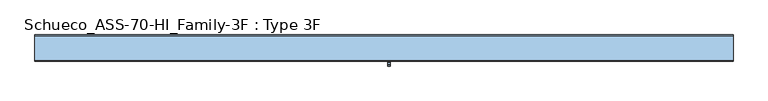
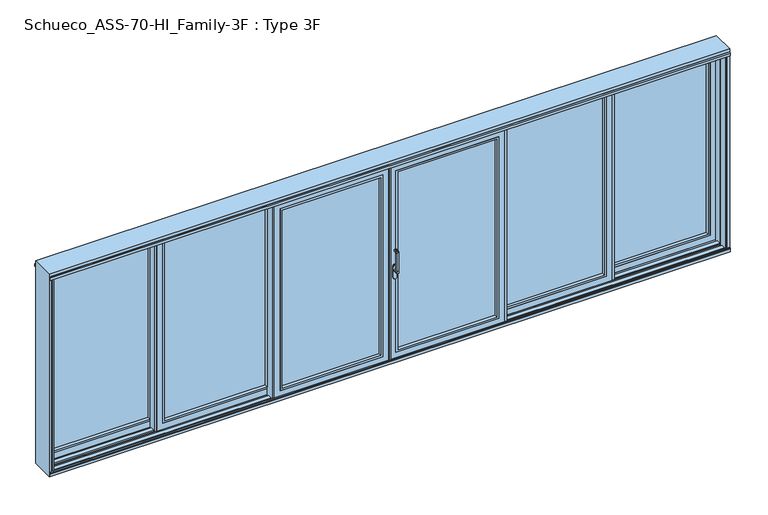
"""IFC4 building model written with IfcOpenShell, lengths in millimetres: window geometry, Schueco_ASS-70-HI_Family-3F : Type 3F."""

from ifc_helpers import new_model, si_unit, point, frame, frame_2d, origin, place, context, project, spatial, polyline, circle_curve, trimmed, segment, composite_curve, outline, extrude, faceted_brep, source, transform, mapped, element, save
from ifc_brep_helpers import plane_surface, cylinder_surface, revolved_surface, advanced_brep


def schueco_ass_70_hi_family_3f_type_3f_0fbd40f2(model_context):
    return source(origin(), model_context, "Body", "SolidModel", [
        extrude(outline(polyline([(1147.6650736, 60.0296761), (1167.6650431, 60.0296761), (1167.6650431, 54.5297093), (1151.4651386, 54.5297093), (1151.4651386, -9.9601155), (1201.6666667, -9.9601155), (1201.6666667, -24.1825054), (1147.6650736, -24.1825054), (1147.6650736, 60.0296761)])), frame((0.0, 0.0, -6.9999052), z_axis=(0.0, 0.0, 1.0), x_axis=(1.0, 0.0, 0.0)), (0.0, 0.0, 1.0), 2187.9998104),
        extrude(outline(polyline([(2114.8998417, 1233.766825), (59.1001583, 1233.766825), (59.1001583, 2371.233175), (2114.8998417, 2371.233175), (2114.8998417, 1233.766825)]), holes=[polyline([(2092.899857, 2349.2331903), (81.100143, 2349.2331903), (81.100143, 1255.7668097), (2092.899857, 1255.7668097), (2092.899857, 2349.2331903)])]), frame((0.0, -9.9601155, 0.0), z_axis=(0.0, 1.0, 0.0), x_axis=(0.0, 0.0, 1.0)), (0.0, 0.0, 1.0), 35.0222836),
        extrude(outline(polyline([(2363.2349016, 25.0621681), (1241.7650984, 25.0621681), (1241.7650984, 51.0520123), (2363.2349016, 51.0520123), (2363.2349016, 25.0621681)])), frame((0.0, 0.0, 67.0984318), z_axis=(0.0, 0.0, 1.0), x_axis=(1.0, 0.0, 0.0)), (0.0, 0.0, 1.0), 2039.8031365),
        extrude(outline(polyline([(2457.3349264, -9.9601155), (2437.3349569, -9.9601155), (2437.3349569, -4.4601487), (2453.5348614, -4.4601487), (2453.5348614, 60.0296761), (2403.3333333, 60.0296761), (2403.3333333, 74.2520661), (2457.3349264, 74.2520661), (2457.3349264, -9.9601155)])), frame((0.0, 0.0, -6.9999052), z_axis=(0.0, 0.0, 1.0), x_axis=(1.0, 0.0, 0.0)), (0.0, 0.0, 1.0), 2187.9998104),
        faceted_brep([(1167.6650431, 54.5297093, 2181.0016236), (1167.6650431, 60.0296761, 2181.0016236), (1167.6650431, 60.0296761, -7.0016236), (1167.6650431, 54.5297093, -7.0016236), (2437.3349569, 60.0296761, 2181.0016236), (2437.3349569, 60.0296761, -7.0016236), (1255.6650431, 60.0296761, 2093.0016236), (1255.6650431, 60.0296761, 80.9983764), (2349.3349569, 60.0296761, 80.9983764), (2349.3349569, 60.0296761, 2093.0016236), (2437.3349569, 54.5297093, -7.0016236), (2437.3349569, 54.5297093, 2181.0016236), (2407.3332385, 54.5297093, 2150.9999052), (2407.3332385, 54.5297093, 23.0000948), (1197.6667615, 54.5297093, 23.0000948), (1197.6667615, 54.5297093, 2150.9999052), (1197.6667615, -4.4601155, 2150.9999052), (1197.6667615, -4.4601155, 23.0000948), (2407.3332385, -4.4601155, 23.0000948), (2437.3332385, -4.4601155, 2180.9999052), (2437.3332385, -4.4601155, -6.9999052), (1167.6667615, -4.4601155, -6.9999052), (1167.6667615, -4.4601155, 2180.9999052), (2407.3332385, -4.4601155, 2150.9999052), (1167.6667615, -9.9601155, 2180.9999052), (1167.6667615, -9.9601155, -6.9999052), (2437.3332385, -9.9601155, -6.9999052), (2437.3332385, -9.9601155, 2180.9999052), (2371.233175, -9.9601155, 2114.8998417), (2371.233175, -9.9601155, 59.1001583), (1233.766825, -9.9601155, 59.1001583), (1233.766825, -9.9601155, 2114.8998417), (1241.7650984, 51.0520123, 2106.9015682), (1241.7650984, 25.0520123, 2106.9015682), (1241.7650984, 25.0520123, 67.0984318), (1241.7650984, 51.0520123, 67.0984318), (1233.766825, 25.0520123, 2114.8998417), (1233.766825, 25.0520123, 59.1001583), (2371.233175, 25.0520123, 59.1001583), (2371.233175, 25.0520123, 2114.8998417), (2363.2349016, 25.0520123, 2106.9015682), (2363.2349016, 25.0520123, 67.0984318), (2363.2349016, 51.0520123, 67.0984318), (2363.2349016, 51.0520123, 2106.9015682), (2349.3349569, 51.0520123, 2093.0016236), (2349.3349569, 51.0520123, 80.9983764), (1255.6650431, 51.0520123, 80.9983764), (1255.6650431, 51.0520123, 2093.0016236)], [[[0, 1, 2, 3]], [[4, 5, 2, 1], [6, 7, 8, 9]], [[3, 2, 5, 10]], [[0, 3, 10, 11], [12, 13, 14, 15]], [[16, 15, 14, 17]], [[17, 14, 13, 18]], [[19, 20, 21, 22], [16, 17, 18, 23]], [[24, 22, 21, 25]], [[25, 21, 20, 26]], [[24, 25, 26, 27], [28, 29, 30, 31]], [[32, 33, 34, 35]], [[36, 37, 38, 39], [40, 41, 34, 33]], [[35, 34, 41, 42]], [[32, 35, 42, 43], [44, 45, 46, 47]], [[6, 47, 46, 7]], [[7, 46, 45, 8]], [[10, 5, 4, 11]], [[18, 13, 12, 23]], [[26, 20, 19, 27]], [[42, 41, 40, 43]], [[8, 45, 44, 9]], [[38, 29, 28, 39]], [[37, 30, 29, 38]], [[36, 31, 30, 37]], [[11, 4, 1, 0]], [[23, 12, 15, 16]], [[27, 19, 22, 24]], [[43, 40, 33, 32]], [[9, 44, 47, 6]], [[39, 28, 31, 36]]]),
        extrude(outline(polyline([(-1147.6650736, 60.0296761), (-1147.6650736, -24.1825054), (-1201.6666667, -24.1825054), (-1201.6666667, -9.9601155), (-1151.4651386, -9.9601155), (-1151.4651386, 54.5297093), (-1167.6650431, 54.5297093), (-1167.6650431, 60.0296761), (-1147.6650736, 60.0296761)])), frame((0.0, 0.0, -6.9999052), z_axis=(0.0, 0.0, 1.0), x_axis=(1.0, 0.0, 0.0)), (0.0, 0.0, 1.0), 2187.9998104),
        extrude(outline(polyline([(2114.8998417, -1233.766825), (2114.8998417, -2371.233175), (59.1001583, -2371.233175), (59.1001583, -1233.766825), (2114.8998417, -1233.766825)]), holes=[polyline([(2092.899857, -2349.2331903), (2092.899857, -1255.7668097), (81.100143, -1255.7668097), (81.100143, -2349.2331903), (2092.899857, -2349.2331903)])]), frame((0.0, -9.9601155, 0.0), z_axis=(0.0, 1.0, 0.0), x_axis=(0.0, 0.0, 1.0)), (0.0, 0.0, 1.0), 35.0222836),
        extrude(outline(polyline([(-2363.2349016, 25.0621681), (-2363.2349016, 51.0520123), (-1241.7650984, 51.0520123), (-1241.7650984, 25.0621681), (-2363.2349016, 25.0621681)])), frame((0.0, 0.0, 67.0984318), z_axis=(0.0, 0.0, 1.0), x_axis=(1.0, 0.0, 0.0)), (0.0, 0.0, 1.0), 2039.8031365),
        extrude(outline(polyline([(-2457.3349264, -9.9601155), (-2457.3349264, 74.2520661), (-2403.3333333, 74.2520661), (-2403.3333333, 60.0296761), (-2453.5348614, 60.0296761), (-2453.5348614, -4.4601487), (-2437.3349569, -4.4601487), (-2437.3349569, -9.9601155), (-2457.3349264, -9.9601155)])), frame((0.0, 0.0, -6.9999052), z_axis=(0.0, 0.0, 1.0), x_axis=(1.0, 0.0, 0.0)), (0.0, 0.0, 1.0), 2187.9998104),
        faceted_brep([(-1167.6650431, 54.5297093, 2181.0016236), (-1167.6650431, 54.5297093, -7.0016236), (-1167.6650431, 60.0296761, -7.0016236), (-1167.6650431, 60.0296761, 2181.0016236), (-2437.3349569, 60.0296761, 2181.0016236), (-2437.3349569, 60.0296761, -7.0016236), (-1255.6650431, 60.0296761, 2093.0016236), (-2349.3349569, 60.0296761, 2093.0016236), (-2349.3349569, 60.0296761, 80.9983764), (-1255.6650431, 60.0296761, 80.9983764), (-2437.3349569, 54.5297093, -7.0016236), (-2437.3349569, 54.5297093, 2181.0016236), (-2407.3332385, 54.5297093, 2150.9999052), (-1197.6667615, 54.5297093, 2150.9999052), (-1197.6667615, 54.5297093, 23.0000948), (-2407.3332385, 54.5297093, 23.0000948), (-1197.6667615, -4.4601155, 2150.9999052), (-1197.6667615, -4.4601155, 23.0000948), (-2407.3332385, -4.4601155, 23.0000948), (-2437.3332385, -4.4601155, 2180.9999052), (-1167.6667615, -4.4601155, 2180.9999052), (-1167.6667615, -4.4601155, -6.9999052), (-2437.3332385, -4.4601155, -6.9999052), (-2407.3332385, -4.4601155, 2150.9999052), (-1167.6667615, -9.9601155, 2180.9999052), (-1167.6667615, -9.9601155, -6.9999052), (-2437.3332385, -9.9601155, -6.9999052), (-2437.3332385, -9.9601155, 2180.9999052), (-2371.233175, -9.9601155, 2114.8998417), (-1233.766825, -9.9601155, 2114.8998417), (-1233.766825, -9.9601155, 59.1001583), (-2371.233175, -9.9601155, 59.1001583), (-1241.7650984, 51.0520123, 2106.9015682), (-1241.7650984, 51.0520123, 67.0984318), (-1241.7650984, 25.0520123, 67.0984318), (-1241.7650984, 25.0520123, 2106.9015682), (-1233.766825, 25.0520123, 2114.8998417), (-2371.233175, 25.0520123, 2114.8998417), (-2371.233175, 25.0520123, 59.1001583), (-1233.766825, 25.0520123, 59.1001583), (-2363.2349016, 25.0520123, 2106.9015682), (-2363.2349016, 25.0520123, 67.0984318), (-2363.2349016, 51.0520123, 67.0984318), (-2363.2349016, 51.0520123, 2106.9015682), (-2349.3349569, 51.0520123, 2093.0016236), (-1255.6650431, 51.0520123, 2093.0016236), (-1255.6650431, 51.0520123, 80.9983764), (-2349.3349569, 51.0520123, 80.9983764)], [[[0, 1, 2, 3]], [[4, 3, 2, 5], [6, 7, 8, 9]], [[1, 10, 5, 2]], [[0, 11, 10, 1], [12, 13, 14, 15]], [[16, 17, 14, 13]], [[17, 18, 15, 14]], [[19, 20, 21, 22], [16, 23, 18, 17]], [[24, 25, 21, 20]], [[25, 26, 22, 21]], [[24, 27, 26, 25], [28, 29, 30, 31]], [[32, 33, 34, 35]], [[36, 37, 38, 39], [40, 35, 34, 41]], [[33, 42, 41, 34]], [[32, 43, 42, 33], [44, 45, 46, 47]], [[6, 9, 46, 45]], [[9, 8, 47, 46]], [[10, 11, 4, 5]], [[18, 23, 12, 15]], [[26, 27, 19, 22]], [[42, 43, 40, 41]], [[8, 7, 44, 47]], [[38, 37, 28, 31]], [[39, 38, 31, 30]], [[36, 39, 30, 29]], [[11, 0, 3, 4]], [[23, 16, 13, 12]], [[27, 24, 20, 19]], [[43, 32, 35, 40]], [[7, 6, 45, 44]], [[37, 36, 29, 28]]]),
        extrude(outline(polyline([(-2369.3317097, 144.5402842), (-2369.3317097, 150.040251), (-2349.3317402, 150.040251), (-2349.3317402, 65.8280694), (-2403.3333333, 65.8280694), (-2403.3333333, 80.0504594), (-2353.1318053, 80.0504594), (-2353.1318053, 144.5402842), (-2369.3317097, 144.5402842)])), frame((0.0, 0.0, -6.9999052), z_axis=(0.0, 0.0, 1.0), x_axis=(1.0, 0.0, 0.0)), (0.0, 0.0, 1.0), 2187.9998104),
        extrude(outline(polyline([(2114.8998417, -3534.8998417), (59.1001583, -3534.8998417), (59.1001583, -2435.4334916), (2114.8998417, -2435.4334916), (2114.8998417, -3534.8998417)]), holes=[polyline([(2092.899857, -2457.4334764), (81.100143, -2457.4334764), (81.100143, -3512.899857), (2092.899857, -3512.899857), (2092.899857, -2457.4334764)])]), frame((0.0, 80.0504262, 0.0), z_axis=(0.0, 1.0, 0.0), x_axis=(0.0, 0.0, 1.0)), (0.0, 0.0, 1.0), 35.0222836),
        extrude(outline(polyline([(-2443.4317651, 115.0727098), (-3526.9015682, 115.0727098), (-3526.9015682, 141.062554), (-2443.4317651, 141.062554), (-2443.4317651, 115.0727098)])), frame((0.0, 0.0, 67.0984318), z_axis=(0.0, 0.0, 1.0), x_axis=(1.0, 0.0, 0.0)), (0.0, 0.0, 1.0), 2039.8031365),
        faceted_brep([(-3601.0016236, 144.540251, 2181.0016236), (-3601.0016236, 150.0402178, 2181.0016236), (-3601.0016236, 150.0402178, -7.0016236), (-3601.0016236, 144.540251, -7.0016236), (-2369.3317097, 150.0402178, 2181.0016236), (-2369.3317097, 150.0402178, -7.0016236), (-3513.0016236, 150.0402178, 2093.0016236), (-3513.0016236, 150.0402178, 80.9983764), (-2457.3317097, 150.0402178, 80.9983764), (-2457.3317097, 150.0402178, 2093.0016236), (-2369.3317097, 144.540251, -7.0016236), (-2369.3317097, 144.540251, 2181.0016236), (-2399.3334281, 144.540251, 2150.9999052), (-2399.3334281, 144.540251, 23.0000948), (-3570.9999052, 144.540251, 23.0000948), (-3570.9999052, 144.540251, 2150.9999052), (-3570.9999052, 85.5504262, 2150.9999052), (-3570.9999052, 85.5504262, 23.0000948), (-2399.3334281, 85.5504262, 23.0000948), (-2369.3334281, 85.5504262, 2180.9999052), (-2369.3334281, 85.5504262, -6.9999052), (-3600.9999052, 85.5504262, -6.9999052), (-3600.9999052, 85.5504262, 2180.9999052), (-2399.3334281, 85.5504262, 2150.9999052), (-3600.9999052, 80.0504262, 2180.9999052), (-3600.9999052, 80.0504262, -6.9999052), (-2369.3334281, 80.0504262, -6.9999052), (-2369.3334281, 80.0504262, 2180.9999052), (-2435.4334916, 80.0504262, 2114.8998417), (-2435.4334916, 80.0504262, 59.1001583), (-3534.8998417, 80.0504262, 59.1001583), (-3534.8998417, 80.0504262, 2114.8998417), (-3526.9015682, 141.062554, 2106.9015682), (-3526.9015682, 115.062554, 2106.9015682), (-3526.9015682, 115.062554, 67.0984318), (-3526.9015682, 141.062554, 67.0984318), (-3534.8998417, 115.062554, 2114.8998417), (-3534.8998417, 115.062554, 59.1001583), (-2435.4334916, 115.062554, 59.1001583), (-2435.4334916, 115.062554, 2114.8998417), (-2443.4317651, 115.062554, 2106.9015682), (-2443.4317651, 115.062554, 67.0984318), (-2443.4317651, 141.062554, 67.0984318), (-2443.4317651, 141.062554, 2106.9015682), (-2457.3317097, 141.062554, 2093.0016236), (-2457.3317097, 141.062554, 80.9983764), (-3513.0016236, 141.062554, 80.9983764), (-3513.0016236, 141.062554, 2093.0016236)], [[[0, 1, 2, 3]], [[4, 5, 2, 1], [6, 7, 8, 9]], [[3, 2, 5, 10]], [[0, 3, 10, 11], [12, 13, 14, 15]], [[16, 15, 14, 17]], [[17, 14, 13, 18]], [[19, 20, 21, 22], [16, 17, 18, 23]], [[24, 22, 21, 25]], [[25, 21, 20, 26]], [[24, 25, 26, 27], [28, 29, 30, 31]], [[32, 33, 34, 35]], [[36, 37, 38, 39], [40, 41, 34, 33]], [[35, 34, 41, 42]], [[32, 35, 42, 43], [44, 45, 46, 47]], [[6, 47, 46, 7]], [[7, 46, 45, 8]], [[10, 5, 4, 11]], [[18, 13, 12, 23]], [[26, 20, 19, 27]], [[42, 41, 40, 43]], [[8, 45, 44, 9]], [[38, 29, 28, 39]], [[37, 30, 29, 38]], [[36, 31, 30, 37]], [[11, 4, 1, 0]], [[23, 12, 15, 16]], [[27, 19, 22, 24]], [[43, 40, 33, 32]], [[9, 44, 47, 6]], [[39, 28, 31, 36]]]),
        extrude(outline(polyline([(2369.3317097, 144.5402842), (2353.1318053, 144.5402842), (2353.1318053, 80.0504594), (2403.3333333, 80.0504594), (2403.3333333, 65.8280694), (2349.3317402, 65.8280694), (2349.3317402, 150.040251), (2369.3317097, 150.040251), (2369.3317097, 144.5402842)])), frame((0.0, 0.0, -6.9999052), z_axis=(0.0, 0.0, 1.0), x_axis=(1.0, 0.0, 0.0)), (0.0, 0.0, 1.0), 2187.9998104),
        extrude(outline(polyline([(2114.8998417, 3534.8998417), (2114.8998417, 2435.4334916), (59.1001583, 2435.4334916), (59.1001583, 3534.8998417), (2114.8998417, 3534.8998417)]), holes=[polyline([(2092.899857, 2457.4334764), (2092.899857, 3512.899857), (81.100143, 3512.899857), (81.100143, 2457.4334764), (2092.899857, 2457.4334764)])]), frame((0.0, 80.0504262, 0.0), z_axis=(0.0, 1.0, 0.0), x_axis=(0.0, 0.0, 1.0)), (0.0, 0.0, 1.0), 35.0222836),
        extrude(outline(polyline([(2443.4317651, 115.0727098), (2443.4317651, 141.062554), (3526.9015682, 141.062554), (3526.9015682, 115.0727098), (2443.4317651, 115.0727098)])), frame((0.0, 0.0, 67.0984318), z_axis=(0.0, 0.0, 1.0), x_axis=(1.0, 0.0, 0.0)), (0.0, 0.0, 1.0), 2039.8031365),
        faceted_brep([(3601.0016236, 144.540251, 2181.0016236), (3601.0016236, 144.540251, -7.0016236), (3601.0016236, 150.0402178, -7.0016236), (3601.0016236, 150.0402178, 2181.0016236), (2369.3317097, 150.0402178, 2181.0016236), (2369.3317097, 150.0402178, -7.0016236), (3513.0016236, 150.0402178, 2093.0016236), (2457.3317097, 150.0402178, 2093.0016236), (2457.3317097, 150.0402178, 80.9983764), (3513.0016236, 150.0402178, 80.9983764), (2369.3317097, 144.540251, -7.0016236), (2369.3317097, 144.540251, 2181.0016236), (2399.3334281, 144.540251, 2150.9999052), (3570.9999052, 144.540251, 2150.9999052), (3570.9999052, 144.540251, 23.0000948), (2399.3334281, 144.540251, 23.0000948), (3570.9999052, 85.5504262, 2150.9999052), (3570.9999052, 85.5504262, 23.0000948), (2399.3334281, 85.5504262, 23.0000948), (2369.3334281, 85.5504262, 2180.9999052), (3600.9999052, 85.5504262, 2180.9999052), (3600.9999052, 85.5504262, -6.9999052), (2369.3334281, 85.5504262, -6.9999052), (2399.3334281, 85.5504262, 2150.9999052), (3600.9999052, 80.0504262, 2180.9999052), (3600.9999052, 80.0504262, -6.9999052), (2369.3334281, 80.0504262, -6.9999052), (2369.3334281, 80.0504262, 2180.9999052), (2435.4334916, 80.0504262, 2114.8998417), (3534.8998417, 80.0504262, 2114.8998417), (3534.8998417, 80.0504262, 59.1001583), (2435.4334916, 80.0504262, 59.1001583), (3526.9015682, 141.062554, 2106.9015682), (3526.9015682, 141.062554, 67.0984318), (3526.9015682, 115.062554, 67.0984318), (3526.9015682, 115.062554, 2106.9015682), (3534.8998417, 115.062554, 2114.8998417), (2435.4334916, 115.062554, 2114.8998417), (2435.4334916, 115.062554, 59.1001583), (3534.8998417, 115.062554, 59.1001583), (2443.4317651, 115.062554, 2106.9015682), (2443.4317651, 115.062554, 67.0984318), (2443.4317651, 141.062554, 67.0984318), (2443.4317651, 141.062554, 2106.9015682), (2457.3317097, 141.062554, 2093.0016236), (3513.0016236, 141.062554, 2093.0016236), (3513.0016236, 141.062554, 80.9983764), (2457.3317097, 141.062554, 80.9983764)], [[[0, 1, 2, 3]], [[4, 3, 2, 5], [6, 7, 8, 9]], [[1, 10, 5, 2]], [[0, 11, 10, 1], [12, 13, 14, 15]], [[16, 17, 14, 13]], [[17, 18, 15, 14]], [[19, 20, 21, 22], [16, 23, 18, 17]], [[24, 25, 21, 20]], [[25, 26, 22, 21]], [[24, 27, 26, 25], [28, 29, 30, 31]], [[32, 33, 34, 35]], [[36, 37, 38, 39], [40, 35, 34, 41]], [[33, 42, 41, 34]], [[32, 43, 42, 33], [44, 45, 46, 47]], [[6, 9, 46, 45]], [[9, 8, 47, 46]], [[10, 11, 4, 5]], [[18, 23, 12, 15]], [[26, 27, 19, 22]], [[42, 43, 40, 41]], [[8, 7, 44, 47]], [[38, 37, 28, 31]], [[39, 38, 31, 30]], [[36, 39, 30, 29]], [[11, 0, 3, 4]], [[23, 16, 13, 12]], [[27, 24, 20, 19]], [[43, 32, 35, 40]], [[7, 6, 45, 44]], [[37, 36, 29, 28]]]),
        advanced_brep(
        [(40.0501266, -161.9999695, 1004.005052), (64.0501266, -161.9999695, 1004.005052), (64.0501266, -161.9999695, 1229.2360009), (40.0501266, -161.9999695, 1229.2360009), (40.0501266, -113.9999695, 1004.005052), (64.0501266, -113.9999695, 1004.005052), (40.0501266, -149.9999695, 1004.005052), (64.0501266, -149.9999695, 1004.005052), (64.0501266, -149.9999695, 1219.6494011), (64.0501266, -142.6493095, 1227.000061), (64.0501266, -121.9999695, 1227.000061), (64.0501266, -119.9999695, 1229.000061), (64.0501266, -119.9999695, 1240.000061), (64.0501266, -121.9999695, 1242.000061), (64.0501266, -149.2359094, 1242.000061), (64.0501266, -150.6501229, 1241.4142746), (64.0501266, -161.414183, 1230.6502145), (40.0501266, -161.414183, 1230.6502145), (40.0501266, -150.6501229, 1241.4142746), (40.0501266, -149.2359094, 1242.000061), (40.0501266, -121.9999695, 1242.000061), (40.0501266, -119.9999695, 1240.000061), (40.0501266, -119.9999695, 1229.000061), (40.0501266, -121.9999695, 1227.000061), (40.0501266, -142.6493095, 1227.000061), (40.0501266, -149.9999695, 1219.6494011)],
        [
            (0, 1, circle_curve(frame((52.0501266, -161.9999695, 1004.005052), z_axis=(0.0, -1.0, 0.0), x_axis=(1.0, 0.0, 0.0)), 12.0)),
            (1, 2),
            (2, 3),
            (3, 0),
            (4, 5, circle_curve(frame((52.0501266, -113.9999695, 1004.005052), z_axis=(0.0, 1.0, 0.0), x_axis=(1.0, 0.0, 0.0)), 12.0)),
            (5, 4, circle_curve(frame((52.0501266, -113.9999695, 1004.005052), z_axis=(0.0, 1.0, 0.0), x_axis=(1.0, 0.0, 0.0)), 12.0)),
            (0, 6),
            (6, 4),
            (5, 7),
            (7, 1),
            (6, 7, circle_curve(frame((52.0501266, -149.9999695, 1004.005052), z_axis=(0.0, 1.0, 0.0), x_axis=(1.0, 0.0, 0.0)), 12.0)),
            (7, 8),
            (8, 9, circle_curve(frame((64.0501266, -142.6493095, 1219.6494011), z_axis=(-1.0, 0.0, 0.0), x_axis=(0.0, 0.0, -1.0)), 7.35066)),
            (9, 10),
            (10, 11, circle_curve(frame((64.0501266, -121.9999695, 1229.000061), z_axis=(1.0, 0.0, 0.0), x_axis=(0.0, 0.0, -1.0)), 2.0)),
            (11, 12),
            (12, 13, circle_curve(frame((64.0501266, -121.9999695, 1240.000061), z_axis=(1.0, 0.0, 0.0), x_axis=(0.0, 0.0, -1.0)), 2.0)),
            (13, 14),
            (14, 15, circle_curve(frame((64.0501266, -149.2359094, 1240.000061), z_axis=(1.0, 0.0, 0.0), x_axis=(0.0, 0.0, -1.0)), 2.0)),
            (15, 16),
            (16, 2, circle_curve(frame((64.0501266, -159.9999695, 1229.2360009), z_axis=(1.0, 0.0, 0.0), x_axis=(0.0, 0.0, -1.0)), 2.0)),
            (3, 17, circle_curve(frame((40.0501266, -159.9999695, 1229.2360009), z_axis=(-1.0, 0.0, 0.0), x_axis=(0.0, 0.0, -1.0)), 2.0)),
            (17, 18),
            (18, 19, circle_curve(frame((40.0501266, -149.2359094, 1240.000061), z_axis=(-1.0, 0.0, 0.0), x_axis=(0.0, 0.0, -1.0)), 2.0)),
            (19, 20),
            (20, 21, circle_curve(frame((40.0501266, -121.9999695, 1240.000061), z_axis=(-1.0, 0.0, 0.0), x_axis=(0.0, 0.0, -1.0)), 2.0)),
            (21, 22),
            (22, 23, circle_curve(frame((40.0501266, -121.9999695, 1229.000061), z_axis=(-1.0, 0.0, 0.0), x_axis=(0.0, 0.0, -1.0)), 2.0)),
            (23, 24),
            (24, 25, circle_curve(frame((40.0501266, -142.6493095, 1219.6494011), z_axis=(1.0, 0.0, 0.0), x_axis=(0.0, 0.0, -1.0)), 7.35066)),
            (25, 6),
            (25, 8),
            (24, 9),
            (23, 10),
            (22, 11),
            (21, 12),
            (20, 13),
            (19, 14),
            (18, 15),
            (17, 16),
        ],
        [
            plane_surface(frame((64.0501266, -161.9999695, 1004.005052), z_axis=(0.0, -1.0, 0.0), x_axis=(0.0, 0.0, 1.0))),
            plane_surface(frame((64.0501266, -113.9999695, 1004.005052), z_axis=(0.0, 1.0, 0.0), x_axis=(0.0, 0.0, -1.0))),
            cylinder_surface(frame((52.0501266, -113.9999695, 1004.005052), z_axis=(0.0, -1.0, 0.0), x_axis=(1.0, 0.0, 0.0)), 12.0),
            plane_surface(frame((64.0501266, -161.9999695, 1009.7503433), z_axis=(1.0, 0.0, 0.0), x_axis=(0.0, 0.0, -1.0))),
            plane_surface(frame((40.0501266, -161.9999695, 1009.7503433), z_axis=(-1.0, 0.0, 0.0), x_axis=(0.0, 0.0, 1.0))),
            plane_surface(frame((64.0501266, -149.9999695, 1004.0), z_axis=(0.0, 1.0, 0.0), x_axis=(-1.0, 0.0, 0.0))),
            revolved_surface(polyline([(40.0501266, -142.6493095, 1212.2987411), (64.0501266, -142.6493095, 1212.2987411)]), (40.0501266, -142.6493095, 1219.6494011), (-1.0, 0.0, 0.0)),
            plane_surface(frame((64.0501266, -142.6493095, 1227.000061), z_axis=(0.0, 0.0, -1.0), x_axis=(-1.0, 0.0, 0.0))),
            cylinder_surface(frame((40.0501266, -121.9999695, 1229.000061), z_axis=(1.0, 0.0, 0.0), x_axis=(0.0, 0.0, -1.0)), 2.0),
            plane_surface(frame((64.0501266, -119.9999695, 1229.000061), z_axis=(0.0, 1.0, 0.0), x_axis=(-1.0, 0.0, 0.0))),
            cylinder_surface(frame((40.0501266, -121.9999695, 1240.000061), z_axis=(1.0, 0.0, 0.0), x_axis=(0.0, 0.0, -1.0)), 2.0),
            plane_surface(frame((64.0501266, -121.9999695, 1242.000061), z_axis=(0.0, 0.0, 1.0), x_axis=(-1.0, 0.0, 0.0))),
            cylinder_surface(frame((40.0501266, -149.2359094, 1240.000061), z_axis=(1.0, 0.0, 0.0), x_axis=(0.0, 0.0, -1.0)), 2.0),
            plane_surface(frame((64.0501266, -150.6501229, 1241.4142746), z_axis=(0.0, -0.7071067811865422, 0.7071067811865528), x_axis=(-1.0, 0.0, 0.0))),
            cylinder_surface(frame((40.0501266, -159.9999695, 1229.2360009), z_axis=(1.0, 0.0, 0.0), x_axis=(0.0, 0.0, -1.0)), 2.0),
        ],
        [
            (0, [[1, 2, 3, 4]]),
            (1, [[5, 6]]),
            (2, [[-1, 7, 8, -6, 9, 10]]),
            (2, [[-5, -8, 11, -9]]),
            (3, [[-2, -10, 12, 13, 14, 15, 16, 17, 18, 19, 20, 21]]),
            (4, [[22, 23, 24, 25, 26, 27, 28, 29, 30, 31, -7, -4]]),
            (5, [[-12, -11, -31, 32]]),
            (6, [[-13, -32, -30, 33]]),
            (7, [[-14, -33, -29, 34]]),
            (8, [[-15, -34, -28, 35]]),
            (9, [[-16, -35, -27, 36]]),
            (10, [[-17, -36, -26, 37]]),
            (11, [[-18, -37, -25, 38]]),
            (12, [[-19, -38, -24, 39]]),
            (13, [[-20, -39, -23, 40]]),
            (14, [[-21, -40, -22, -3]]),
        ],
    ),
        extrude(outline(composite_curve([segment(trimmed(circle_curve(frame_2d((922.2823932, 52.0501266)), 16.75), [point((922.2823932, 35.3001266))], [point((922.2823932, 68.8001266))], False, "CARTESIAN"), True, "CONTINUOUS"), segment(polyline([(922.2823932, 68.8001266), (1049.0099288, 68.8001266)]), True, "CONTINUOUS"), segment(trimmed(circle_curve(frame_2d((1049.0099288, 52.0501266)), 16.75), [point((1049.0099288, 68.8001266))], [point((1049.0099288, 35.3001266))], False, "CARTESIAN"), True, "CONTINUOUS"), segment(polyline([(1049.0099288, 35.3001266), (922.2823932, 35.3001266)]), True, "CONTINUOUS")], self_intersect=False)), frame((0.0, -113.9999695, 0.0), z_axis=(0.0, 1.0, 0.0), x_axis=(0.0, 0.0, 1.0)), (0.0, 0.0, 1.0), 13.9999695),
        extrude(outline(polyline([(2114.8998417, 70.1001583), (59.1001583, 70.1001583), (59.1001583, 1169.5665084), (2114.8998417, 1169.5665084), (2114.8998417, 70.1001583)]), holes=[polyline([(2092.899857, 1147.5665236), (81.100143, 1147.5665236), (81.100143, 92.100143), (2092.899857, 92.100143), (2092.899857, 1147.5665236)])]), frame((0.0, -100.0222971, 0.0), z_axis=(0.0, 1.0, 0.0), x_axis=(0.0, 0.0, 1.0)), (0.0, 0.0, 1.0), 35.0222836),
        extrude(outline(polyline([(1161.5682349, -65.0000135), (78.0984318, -65.0000135), (78.0984318, -39.0101693), (1161.5682349, -39.0101693), (1161.5682349, -65.0000135)])), frame((0.0, 0.0, 67.0984318), z_axis=(0.0, 0.0, 1.0), x_axis=(1.0, 0.0, 0.0)), (0.0, 0.0, 1.0), 2039.8031365),
        extrude(outline(polyline([(1255.6682598, -100.0222971), (1235.6682903, -100.0222971), (1235.6682903, -94.5223302), (1251.8681947, -94.5223302), (1251.8681947, -30.0325054), (1201.6666667, -30.0325054), (1201.6666667, -15.8101155), (1255.6682598, -15.8101155), (1255.6682598, -100.0222971)])), frame((0.0, 0.0, -6.9999052), z_axis=(0.0, 0.0, 1.0), x_axis=(1.0, 0.0, 0.0)), (0.0, 0.0, 1.0), 2187.9998104),
        faceted_brep([(3.9983764, -35.5324723, 2181.0016236), (3.9983764, -30.0325054, 2181.0016236), (3.9983764, -30.0325054, -7.0016236), (3.9983764, -35.5324723, -7.0016236), (1235.6682903, -30.0325054, 2181.0016236), (1235.6682903, -30.0325054, -7.0016236), (91.9983764, -30.0325054, 2093.0016236), (91.9983764, -30.0325054, 80.9983764), (1147.6682903, -30.0325054, 80.9983764), (1147.6682903, -30.0325054, 2093.0016236), (1235.6682903, -35.5324723, -7.0016236), (1235.6682903, -35.5324723, 2181.0016236), (1205.6665719, -35.5324723, 2150.9999052), (1205.6665719, -35.5324723, 23.0000948), (34.0000948, -35.5324723, 23.0000948), (34.0000948, -35.5324723, 2150.9999052), (34.0000948, -94.5222971, 2150.9999052), (34.0000948, -94.5222971, 23.0000948), (1205.6665719, -94.5222971, 23.0000948), (1235.6665719, -94.5222971, 2180.9999052), (1235.6665719, -94.5222971, -6.9999052), (4.0000948, -94.5222971, -6.9999052), (4.0000948, -94.5222971, 2180.9999052), (1205.6665719, -94.5222971, 2150.9999052), (4.0000948, -100.0222971, 2180.9999052), (4.0000948, -100.0222971, -6.9999052), (1235.6665719, -100.0222971, -6.9999052), (1235.6665719, -100.0222971, 2180.9999052), (1169.5665084, -100.0222971, 2114.8998417), (1169.5665084, -100.0222971, 59.1001583), (70.1001583, -100.0222971, 59.1001583), (70.1001583, -100.0222971, 2114.8998417), (78.0984318, -39.0101693, 2106.9015682), (78.0984318, -65.0101693, 2106.9015682), (78.0984318, -65.0101693, 67.0984318), (78.0984318, -39.0101693, 67.0984318), (70.1001583, -65.0101693, 2114.8998417), (70.1001583, -65.0101693, 59.1001583), (1169.5665084, -65.0101693, 59.1001583), (1169.5665084, -65.0101693, 2114.8998417), (1161.5682349, -65.0101693, 2106.9015682), (1161.5682349, -65.0101693, 67.0984318), (1161.5682349, -39.0101693, 67.0984318), (1161.5682349, -39.0101693, 2106.9015682), (1147.6682903, -39.0101693, 2093.0016236), (1147.6682903, -39.0101693, 80.9983764), (91.9983764, -39.0101693, 80.9983764), (91.9983764, -39.0101693, 2093.0016236)], [[[0, 1, 2, 3]], [[4, 5, 2, 1], [6, 7, 8, 9]], [[3, 2, 5, 10]], [[0, 3, 10, 11], [12, 13, 14, 15]], [[16, 15, 14, 17]], [[17, 14, 13, 18]], [[19, 20, 21, 22], [16, 17, 18, 23]], [[24, 22, 21, 25]], [[25, 21, 20, 26]], [[24, 25, 26, 27], [28, 29, 30, 31]], [[32, 33, 34, 35]], [[36, 37, 38, 39], [40, 41, 34, 33]], [[35, 34, 41, 42]], [[32, 35, 42, 43], [44, 45, 46, 47]], [[6, 47, 46, 7]], [[7, 46, 45, 8]], [[10, 5, 4, 11]], [[18, 13, 12, 23]], [[26, 20, 19, 27]], [[42, 41, 40, 43]], [[8, 45, 44, 9]], [[38, 29, 28, 39]], [[37, 30, 29, 38]], [[36, 31, 30, 37]], [[11, 4, 1, 0]], [[23, 12, 15, 16]], [[27, 19, 22, 24]], [[43, 40, 33, 32]], [[9, 44, 47, 6]], [[39, 28, 31, 36]]]),
        extrude(outline(polyline([(9.0008592, -100.0222971), (9.0008592, -105.8324442), (-6.9991408, -105.8324442), (-6.9991408, -100.0223302), (2.2008592, -100.0223302), (2.2008592, -89.5712777), (-11.9991103, -89.5712777), (-11.9991103, -40.5712777), (2.2008592, -40.5712777), (2.2008592, -30.0325054), (-6.9991408, -30.0325054), (-6.9991408, -24.2712777), (9.0, -24.2712777), (9.0, -30.0325054), (3.9983764, -30.0325054), (3.9983764, -35.5324723), (34.0000948, -35.5324723), (34.0000948, -94.5222971), (4.0000948, -94.5222971), (4.0000948, -100.0222971), (9.0008592, -100.0222971)])), frame((0.0, 0.0, -6.9999052), z_axis=(0.0, 0.0, 1.0), x_axis=(1.0, 0.0, 0.0)), (0.0, 0.0, 1.0), 2187.9998104),
        extrude(outline(polyline([(2114.8998417, -70.1001583), (2114.8998417, -1169.5665084), (59.1001583, -1169.5665084), (59.1001583, -70.1001583), (2114.8998417, -70.1001583)]), holes=[polyline([(2092.899857, -1147.5665236), (2092.899857, -92.100143), (81.100143, -92.100143), (81.100143, -1147.5665236), (2092.899857, -1147.5665236)])]), frame((0.0, -100.0222971, 0.0), z_axis=(0.0, 1.0, 0.0), x_axis=(0.0, 0.0, 1.0)), (0.0, 0.0, 1.0), 35.0222836),
        extrude(outline(polyline([(-1161.5682349, -65.0000135), (-1161.5682349, -39.0101693), (-78.0984318, -39.0101693), (-78.0984318, -65.0000135), (-1161.5682349, -65.0000135)])), frame((0.0, 0.0, 67.0984318), z_axis=(0.0, 0.0, 1.0), x_axis=(1.0, 0.0, 0.0)), (0.0, 0.0, 1.0), 2039.8031365),
        extrude(outline(polyline([(-1255.6682598, -100.0222971), (-1255.6682598, -15.8101155), (-1201.6666667, -15.8101155), (-1201.6666667, -30.0325054), (-1251.8681947, -30.0325054), (-1251.8681947, -94.5223302), (-1235.6682903, -94.5223302), (-1235.6682903, -100.0222971), (-1255.6682598, -100.0222971)])), frame((0.0, 0.0, -6.9999052), z_axis=(0.0, 0.0, 1.0), x_axis=(1.0, 0.0, 0.0)), (0.0, 0.0, 1.0), 2187.9998104),
        faceted_brep([(-3.9983764, -35.5324723, 2181.0016236), (-3.9983764, -35.5324723, -7.0016236), (-3.9983764, -30.0325054, -7.0016236), (-3.9983764, -30.0325054, 2181.0016236), (-1235.6682903, -30.0325054, 2181.0016236), (-1235.6682903, -30.0325054, -7.0016236), (-91.9983764, -30.0325054, 2093.0016236), (-1147.6682903, -30.0325054, 2093.0016236), (-1147.6682903, -30.0325054, 80.9983764), (-91.9983764, -30.0325054, 80.9983764), (-1235.6682903, -35.5324723, -7.0016236), (-1235.6682903, -35.5324723, 2181.0016236), (-1205.6665719, -35.5324723, 2150.9999052), (-34.0000948, -35.5324723, 2150.9999052), (-34.0000948, -35.5324723, 23.0000948), (-1205.6665719, -35.5324723, 23.0000948), (-34.0000948, -94.5222971, 2150.9999052), (-34.0000948, -94.5222971, 23.0000948), (-1205.6665719, -94.5222971, 23.0000948), (-1235.6665719, -94.5222971, 2180.9999052), (-4.0000948, -94.5222971, 2180.9999052), (-4.0000948, -94.5222971, -6.9999052), (-1235.6665719, -94.5222971, -6.9999052), (-1205.6665719, -94.5222971, 2150.9999052), (-4.0000948, -100.0222971, 2180.9999052), (-4.0000948, -100.0222971, -6.9999052), (-1235.6665719, -100.0222971, -6.9999052), (-1235.6665719, -100.0222971, 2180.9999052), (-1169.5665084, -100.0222971, 2114.8998417), (-70.1001583, -100.0222971, 2114.8998417), (-70.1001583, -100.0222971, 59.1001583), (-1169.5665084, -100.0222971, 59.1001583), (-78.0984318, -39.0101693, 2106.9015682), (-78.0984318, -39.0101693, 67.0984318), (-78.0984318, -65.0101693, 67.0984318), (-78.0984318, -65.0101693, 2106.9015682), (-70.1001583, -65.0101693, 2114.8998417), (-1169.5665084, -65.0101693, 2114.8998417), (-1169.5665084, -65.0101693, 59.1001583), (-70.1001583, -65.0101693, 59.1001583), (-1161.5682349, -65.0101693, 2106.9015682), (-1161.5682349, -65.0101693, 67.0984318), (-1161.5682349, -39.0101693, 67.0984318), (-1161.5682349, -39.0101693, 2106.9015682), (-1147.6682903, -39.0101693, 2093.0016236), (-91.9983764, -39.0101693, 2093.0016236), (-91.9983764, -39.0101693, 80.9983764), (-1147.6682903, -39.0101693, 80.9983764)], [[[0, 1, 2, 3]], [[4, 3, 2, 5], [6, 7, 8, 9]], [[1, 10, 5, 2]], [[0, 11, 10, 1], [12, 13, 14, 15]], [[16, 17, 14, 13]], [[17, 18, 15, 14]], [[19, 20, 21, 22], [16, 23, 18, 17]], [[24, 25, 21, 20]], [[25, 26, 22, 21]], [[24, 27, 26, 25], [28, 29, 30, 31]], [[32, 33, 34, 35]], [[36, 37, 38, 39], [40, 35, 34, 41]], [[33, 42, 41, 34]], [[32, 43, 42, 33], [44, 45, 46, 47]], [[6, 9, 46, 45]], [[9, 8, 47, 46]], [[10, 11, 4, 5]], [[18, 23, 12, 15]], [[26, 27, 19, 22]], [[42, 43, 40, 41]], [[8, 7, 44, 47]], [[38, 37, 28, 31]], [[39, 38, 31, 30]], [[36, 39, 30, 29]], [[11, 0, 3, 4]], [[23, 16, 13, 12]], [[27, 24, 20, 19]], [[43, 32, 35, 40]], [[7, 6, 45, 44]], [[37, 36, 29, 28]]]),
        extrude(outline(polyline([(-3600.9999878, -100.0), (-3600.9999878, -91.2), (-3593.0000826, -91.2), (-3593.0000826, -24.1898845), (-3609.0322039, -24.1898845), (-3609.0322039, -15.7287224), (-3591.0161552, -15.7287224), (-3591.0161552, -100.0), (-3600.9999878, -100.0)])), frame((0.0, 0.0, -14.9999878), z_axis=(0.0, 0.0, 1.0), x_axis=(1.0, 0.0, 0.0)), (0.0, 0.0, 1.0), 2188.0000367),
        extrude(outline(polyline([(-3600.9999878, -9.9842829), (-3600.9999878, -1.1842829), (-3593.0000826, -1.1842829), (-3593.0000826, 65.8258325), (-3609.0322039, 65.8258325), (-3609.0322039, 74.2869947), (-3591.0161552, 74.2869947), (-3591.0161552, -9.9842829), (-3600.9999878, -9.9842829)])), frame((0.0, 0.0, -14.9999878), z_axis=(0.0, 0.0, 1.0), x_axis=(1.0, 0.0, 0.0)), (0.0, 0.0, 1.0), 2188.0000367),
        extrude(outline(polyline([(3600.9999878, -100.0), (3591.0161552, -100.0), (3591.0161552, -15.7287224), (3609.0322039, -15.7287224), (3609.0322039, -24.1898845), (3593.0000826, -24.1898845), (3593.0000826, -91.2), (3600.9999878, -91.2), (3600.9999878, -100.0)])), frame((0.0, 0.0, -14.9999878), z_axis=(0.0, 0.0, 1.0), x_axis=(1.0, 0.0, 0.0)), (0.0, 0.0, 1.0), 2188.0000367),
        extrude(outline(polyline([(3600.9999878, -9.9842829), (3591.0161552, -9.9842829), (3591.0161552, 74.2869947), (3609.0322039, 74.2869947), (3609.0322039, 65.8258325), (3593.0000826, 65.8258325), (3593.0000826, -1.1842829), (3600.9999878, -1.1842829), (3600.9999878, -9.9842829)])), frame((0.0, 0.0, -14.9999878), z_axis=(0.0, 0.0, 1.0), x_axis=(1.0, 0.0, 0.0)), (0.0, 0.0, 1.0), 2188.0000367),
        faceted_brep([(-3640.0, 150.0201301, 2240.0), (-3640.0, 150.0402178, -46.0), (-3640.0, -100.0, -46.0), (-3640.0, -100.0, 2240.0), (3640.0, -100.0, -46.0), (3640.0, -100.0, 2240.0), (3608.9999878, -100.0, 2209.0000341), (3608.9999878, -100.0, -14.9999878), (-3608.9999878, -100.0, -14.9999878), (-3608.9999878, -100.0, 2209.0000341), (3640.0, 150.0402178, -46.0), (3640.0, 150.0201301, 2240.0), (-3609.0, 150.0201301, 2209.0000341), (-3609.0, 150.0201301, -15.0), (3609.0, 150.0201301, -15.0), (3609.0, 150.0201301, 2209.0000341), (-3608.9999878, -91.2, -14.9999878), (-3608.9999878, -91.2, 2209.0000341), (3608.9999878, -91.2, -14.9999878), (3608.9999878, -91.2, 2209.0000341), (-3593.0, 48.300567, 1.0), (-3593.0, 48.300567, 2173.0000489), (-3593.0, 1.6994085, 2173.0000489), (-3593.0, 1.6994085, 1.0), (-3593.0, 1.6994085, 2180.4194362), (-3593.0, 5.9362468, 2184.6562744), (-3593.0, 5.9362468, 2205.1913198), (-3593.0, 1.6994085, 2205.1913198), (-3593.0, 48.300567, 2205.1913198), (-3593.0, 44.9837976, 2205.1913198), (-3593.0, 44.9837976, 2184.2461635), (-3593.0, 48.300567, 2180.9293941), (3593.0, 1.6994085, 1.0), (3593.0, 48.300567, 1.0), (3600.9661267, 51.2, -6.9661267), (-3600.9661267, 51.2, -6.9661267), (3593.0, 1.6994085, 2173.0000489), (3593.0, 48.300567, 2173.0000489), (3593.0, 1.6994085, 2205.1913198), (3593.0, 5.9362468, 2205.1913198), (3593.0, 5.9362468, 2184.6562744), (3593.0, 1.6994085, 2180.4194362), (3593.0, 48.300567, 2180.9293941), (3593.0, 44.9837976, 2184.2461635), (3593.0, 44.9837976, 2205.1913198), (3593.0, 48.300567, 2205.1913198), (-3600.9661267, -1.2000245, -6.9661267), (3600.9661267, -1.2000245, -6.9661267), (-3609.0, 88.7999755, -15.0), (-3609.0, 88.7999755, 2205.1913198), (-3609.0, 51.2, 2205.1913198), (-3609.0, 51.2, -15.0), (3609.0, 51.2, -15.0), (3609.0, 88.7999755, -15.0), (3609.0, 88.7999755, 2205.1913198), (3600.9661267, 88.7999755, 2205.1913198), (3600.9661267, 88.7999755, -6.9661267), (-3600.9661267, 88.7999755, -6.9661267), (-3600.9661267, 88.7999755, 2205.1913198), (3609.0, 51.2, 2205.1913198), (-3600.9661267, 51.2, 2205.1913198), (3600.9661267, 51.2, 2205.1913198), (-3597.6139633, 49.9799122, 2179.2500488), (-3597.6139633, 49.9799122, 2173.0000489), (3597.6139633, 49.9799122, 2173.0000489), (3597.6139633, 49.9799122, 2179.2500488), (3600.9661267, -1.2000245, 2205.1913198), (3596.3502391, 0.4800212, 2179.2000488), (3596.3502391, 0.4800212, 2173.0000489), (-3600.9661267, -1.2000245, 2205.1913198), (-3609.0321213, -1.2000245, 2205.1913198), (-3609.0321213, -1.2000245, -15.0321213), (3609.0321213, -1.2000245, -15.0321213), (3609.0321213, -1.2000245, 2205.1913198), (-3596.3502391, 0.4800212, 2173.0000489), (-3596.3502391, 0.4800212, 2179.2000488), (-3609.0321213, -38.8, 2205.1913198), (-3609.0321213, -38.8, -15.0321213), (3609.0321213, -38.8, -15.0321213), (3609.0321213, -38.8, 2205.1913198), (-3600.9661267, -38.8, 2205.1913198), (-3600.9661267, -38.8, -6.9661267), (3600.9661267, -38.8, -6.9661267), (3600.9661267, -38.8, 2205.1913198), (-3593.0, -41.699433, 2205.1913198), (-3593.0, -41.699433, 2180.3993729), (-3596.2951159, -40.5001089, 2179.2000488), (-3596.2951159, -40.5001089, 2173.0000489), (-3593.0, -41.699433, 2173.0000489), (-3593.0, -41.699433, 1.0), (3593.0, -41.699433, 1.0), (3593.0, -41.699433, 2173.0000489), (3596.2951159, -40.5001089, 2173.0000489), (3596.2951159, -40.5001089, 2179.2000488), (3593.0, -41.699433, 2180.3993729), (3593.0, -41.699433, 2205.1913198), (-3593.0, -88.2882426, 1.0), (3593.0, -88.2882426, 1.0), (3600.9999878, -91.2, 2209.0000341), (3600.9999878, -91.2, -6.9999878), (-3600.9999878, -91.2, -6.9999878), (-3600.9999878, -91.2, 2209.0000341), (3593.0, -88.2882426, 2173.0000489), (3593.0, -88.2882426, 2193.0), (3593.0, -85.0038854, 2193.0), (3593.0, -85.0038854, 2184.2461635), (3593.0, -88.2882426, 2180.9618063), (3593.0, -45.9563345, 2184.6562744), (3593.0, -45.9563345, 2205.1913198), (-3593.0, -88.2882426, 2173.0000489), (-3593.0, -45.9563345, 2205.1913198), (-3593.0, -45.9563345, 2184.6562744), (-3593.0, -88.2882426, 2180.9618063), (-3593.0, -85.0038854, 2184.2461635), (-3593.0, -85.0038854, 2193.0), (-3593.0, -88.2882426, 2193.0), (3600.4504923, -91.0, 2209.0000341), (3600.4504923, -91.0, 2193.0), (3597.7030149, -90.0, 2179.2500488), (3597.7030149, -90.0, 2173.0000489), (-3597.7030149, -90.0, 2173.0000489), (-3597.7030149, -90.0, 2179.2500488), (-3600.4504923, -91.0, 2193.0), (-3600.4504923, -91.0, 2209.0000341), (-3609.0, 141.2, 2209.0000341), (-3609.0, 141.2, -15.0), (3609.0, 141.2, -15.0), (-3600.9661267, 141.2, 2209.0000341), (-3600.9661267, 141.2, -6.9661267), (3600.9661267, 141.2, -6.9661267), (3600.9661267, 141.2, 2209.0000341), (3609.0, 141.2, 2209.0000341), (3593.0, 138.300567, 1.0), (3593.0, 138.300567, 2173.0000489), (3597.7244609, 140.0201301, 2173.0000489), (3597.7244609, 140.0201301, 2179.2500488), (3593.0, 138.300567, 2180.969612), (3593.0, 138.300567, 2193.1230988), (3600.4719384, 141.0201301, 2193.1230988), (3600.4719384, 141.0201301, 2209.0000341), (-3593.0, 138.300567, 1.0), (-3600.4719384, 141.0201301, 2209.0000341), (-3600.4719384, 141.0201301, 2193.1230988), (-3593.0, 138.300567, 2193.1230988), (-3593.0, 138.300567, 2180.969612), (-3597.7244609, 140.0201301, 2179.2500488), (-3597.7244609, 140.0201301, 2173.0000489), (-3593.0, 138.300567, 2173.0000489), (-3593.0, 91.6994085, 2173.0000489), (-3593.0, 91.6994085, 1.0), (-3593.0, 135.0240155, 2193.1230988), (-3593.0, 135.0240155, 2184.2461635), (-3593.0, 91.6994085, 2180.3792183), (-3593.0, 95.9764646, 2184.6562744), (-3593.0, 95.9764646, 2205.1913198), (-3593.0, 91.6994085, 2205.1913198), (3593.0, 91.6994085, 1.0), (-3596.2397415, 90.520239, 2173.0000489), (-3596.2397415, 90.520239, 2179.2000488), (3593.0, 91.6994085, 2205.1913198), (3593.0, 91.6994085, 2180.3792183), (3596.2397415, 90.520239, 2179.2000488), (3596.2397415, 90.520239, 2173.0000489), (3593.0, 91.6994085, 2173.0000489), (3593.0, 95.9764646, 2205.1913198), (3593.0, 95.9764646, 2184.6562744), (3593.0, 135.0240155, 2184.2461635), (3593.0, 135.0240155, 2193.1230988)], [[[0, 1, 2, 3]], [[2, 4, 5, 3], [6, 7, 8, 9]], [[1, 10, 4, 2]], [[0, 11, 10, 1], [12, 13, 14, 15]], [[5, 4, 10, 11]], [[16, 17, 9, 8]], [[8, 7, 18, 16]], [[7, 6, 19, 18]], [[20, 21, 22, 23]], [[24, 25, 26, 27]], [[28, 29, 30, 31]], [[23, 32, 33, 20]], [[33, 34, 35, 20]], [[32, 36, 37, 33]], [[38, 39, 40, 41]], [[42, 43, 44, 45]], [[23, 46, 47, 32]], [[48, 49, 50, 51]], [[51, 52, 53, 48]], [[53, 54, 55, 56, 57, 58, 49, 48]], [[52, 59, 54, 53]], [[51, 50, 60, 35, 34, 61, 59, 52]], [[35, 60, 28, 31, 62, 63, 21, 20]], [[33, 37, 64, 65, 42, 45, 61, 34]], [[47, 66, 38, 41, 67, 68, 36, 32]], [[46, 69, 70, 71, 72, 73, 66, 47]], [[23, 22, 74, 75, 24, 27, 69, 46]], [[71, 70, 76, 77]], [[77, 78, 72, 71]], [[78, 79, 73, 72]], [[77, 76, 80, 81, 82, 83, 79, 78]], [[81, 80, 84, 85, 86, 87, 88, 89]], [[89, 90, 82, 81]], [[90, 91, 92, 93, 94, 95, 83, 82]], [[89, 96, 97, 90]], [[18, 19, 98, 99, 100, 101, 17, 16]], [[97, 102, 91, 90]], [[103, 104, 105, 106]], [[94, 107, 108, 95]], [[96, 100, 99, 97]], [[89, 88, 109, 96]], [[84, 110, 111, 85]], [[112, 113, 114, 115]], [[99, 98, 116, 117, 103, 106, 118, 119, 102, 97]], [[96, 109, 120, 121, 112, 115, 122, 123, 101, 100]], [[13, 12, 124, 125]], [[13, 125, 126, 14]], [[125, 124, 127, 128, 129, 130, 131, 126]], [[126, 131, 15, 14]], [[132, 133, 134, 135, 136, 137, 138, 139, 130, 129]], [[128, 140, 132, 129]], [[128, 127, 141, 142, 143, 144, 145, 146, 147, 140]], [[140, 147, 148, 149]], [[143, 150, 151, 144]], [[152, 153, 154, 155]], [[149, 156, 132, 140]], [[149, 148, 157, 158, 152, 155, 58, 57]], [[57, 56, 156, 149]], [[56, 55, 159, 160, 161, 162, 163, 156]], [[156, 163, 133, 132]], [[159, 164, 165, 160]], [[136, 166, 167, 137]], [[5, 11, 0, 3]], [[110, 84, 80, 76, 70, 69, 27, 26, 39, 38, 66, 73, 79, 83, 95, 108]], [[108, 107, 111, 110]], [[26, 25, 40, 39]], [[9, 17, 101, 123, 116, 98, 19, 6]], [[117, 116, 123, 122]], [[122, 115, 114, 104, 103, 117]], [[114, 113, 105, 104]], [[113, 112, 121, 118, 106, 105]], [[121, 120, 119, 118]], [[120, 109, 88, 87, 92, 91, 102, 119]], [[87, 86, 93, 92]], [[86, 85, 111, 107, 94, 93]], [[25, 24, 75, 67, 41, 40]], [[75, 74, 68, 67]], [[74, 22, 21, 63, 64, 37, 36, 68]], [[63, 62, 65, 64]], [[62, 31, 30, 43, 42, 65]], [[30, 29, 44, 43]], [[29, 28, 60, 50, 49, 58, 155, 154, 164, 159, 55, 54, 59, 61, 45, 44]], [[141, 127, 124, 12, 15, 131, 130, 139]], [[157, 148, 147, 146, 134, 133, 163, 162]], [[146, 145, 135, 134]], [[145, 144, 151, 166, 136, 135]], [[150, 143, 142, 138, 137, 167]], [[139, 138, 142, 141]], [[151, 150, 167, 166]], [[154, 153, 165, 164]], [[153, 152, 158, 161, 160, 165]], [[158, 157, 162, 161]]]),
        extrude(outline(polyline([(150.040251, 2.9839273), (150.040251, -6.9999052), (141.240251, -6.9999052), (141.240251, 1.0), (74.2301355, 1.0), (74.2301355, -15.0321213), (65.7689734, -15.0321213), (65.7689734, 2.9839273), (150.040251, 2.9839273)])), frame((-2349.3333333, 0.0, 0.0), z_axis=(1.0, 0.0, 0.0), x_axis=(0.0, 1.0, 0.0)), (0.0, 0.0, 1.0), 4698.6666667),
        extrude(outline(polyline([(65.7689734, 2.9839273), (65.7689734, 1.0), (60.0, 1.0), (60.0, -15.0321213), (51.2, -15.0321213), (51.2, 1.0), (-15.8101155, 1.0), (-15.8101155, -15.0321213), (-24.2712777, -15.0321213), (-24.2712777, 2.9839273), (65.7689734, 2.9839273)])), frame((-1147.6666667, 0.0, 0.0), z_axis=(1.0, 0.0, 0.0), x_axis=(0.0, 1.0, 0.0)), (0.0, 0.0, 1.0), 2295.3317402),
        extrude(outline(polyline([(-100.0, 2209.0000341), (-91.0, 2209.0000341), (-91.0, 2193.0), (-108.5999743, 2193.0), (-108.5999743, 2173.0000489), (-112.5999743, 2173.0000489), (-112.5999743, 2201.7254355), (-100.0, 2209.0000341)])), frame((-3640.0, 0.0, 0.0), z_axis=(1.0, 0.0, 0.0), x_axis=(0.0, 1.0, 0.0)), (0.0, 0.0, 1.0), 7280.0),
        extrude(outline(polyline([(158.6201045, 2193.1230988), (141.0201301, 2193.1230988), (141.0201301, 2209.0000341), (150.0201301, 2209.0000341), (162.6201045, 2201.7254355), (162.6201045, 2173.0000489), (158.6201045, 2173.0000489), (158.6201045, 2193.1230988)])), frame((-3640.0, 0.0, 0.0), z_axis=(1.0, 0.0, 0.0), x_axis=(0.0, 1.0, 0.0)), (0.0, 0.0, 1.0), 7280.0),
        extrude(outline(polyline([(-100.0, 0.960942), (-100.0, -46.0), (-108.0992948, -46.0), (-108.0992948, -15.3391078), (-112.6000012, -10.8384013), (-112.6000012, 0.960942), (-100.0, 0.960942)])), frame((-3640.0, 0.0, 0.0), z_axis=(1.0, 0.0, 0.0), x_axis=(0.0, 1.0, 0.0)), (0.0, 0.0, 1.0), 7280.0),
    ])


if __name__ == "__main__":
    model = new_model("IFC4")
    model_context = context("Model", 3, world=origin())
    ifc_project = project(units=[si_unit("LENGTHUNIT", "METRE", prefix="MILLI")], contexts=[model_context])
    site = spatial("IfcSite", under=ifc_project)
    building = spatial("IfcBuilding", under=site)
    placement = place(None, origin())
    schueco_ass_70_hi_family_3f_type_3f_shape = schueco_ass_70_hi_family_3f_type_3f_0fbd40f2(model_context)
    element("IfcWindow", 1, ObjectType="Schueco_ASS-70-HI_Family-3F : Type 3F", at=placement, inside=building, context=model_context, shape_type="MappedRepresentation", body=[
        mapped(schueco_ass_70_hi_family_3f_type_3f_shape, transform((0.0, 0.0, 0.0), x_axis=(1.0, 0.0, 0.0), y_axis=(0.0, 1.0, 0.0), z_axis=(0.0, 0.0, 1.0))),
    ])
    save(model, "model.ifc")
